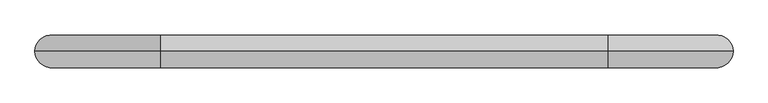
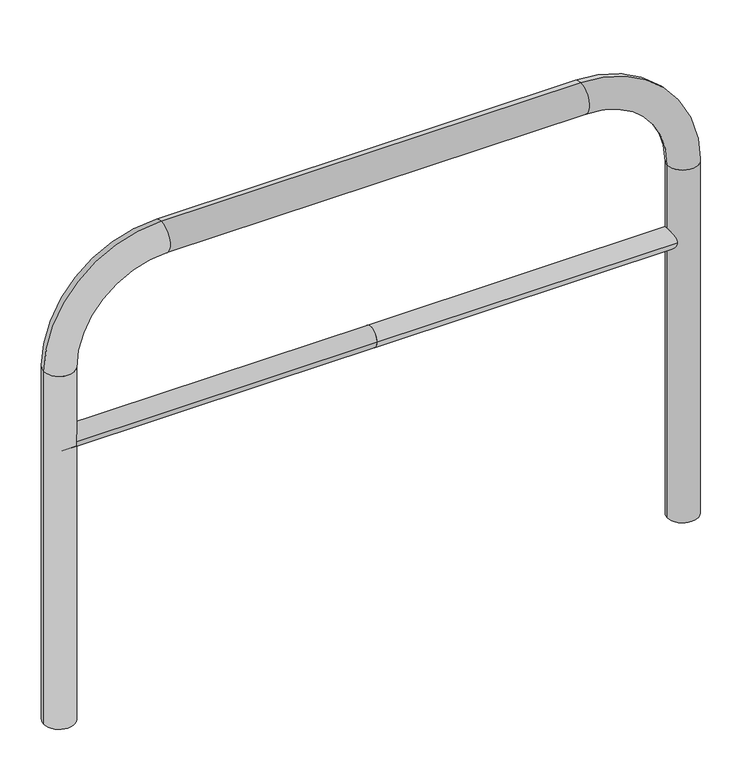
"""IFC4 building model written with IfcOpenShell, lengths in millimetres: proxy geometry."""

from ifc_helpers import new_model, si_unit, point, frame, frame_2d, origin, place, context, project, spatial, circle_curve, ellipse_curve, trimmed, segment, composite_curve, outline, extrude, source, transform, mapped, element, save
from ifc_brep_helpers import plane_surface, cylinder_surface, revolved_surface, advanced_brep


def generic_models_2eb6bcb0(model_context):
    return source(origin(), model_context, "Body", "SolidModel", [
        extrude(outline(composite_curve([segment(trimmed(circle_curve(frame_2d((0.0, 498.4778375)), 20.0), [point((-20.0, 498.4778375))], [point((20.0, 498.4778375))], False, "CARTESIAN"), True, "CONTINUOUS"), segment(trimmed(circle_curve(frame_2d((0.0, 498.4778375)), 20.0), [point((20.0, 498.4778375))], [point((-20.0, 498.4778375))], False, "CARTESIAN"), True, "CONTINUOUS")], self_intersect=False)), frame((-610.2996125, 0.0, 0.0), z_axis=(1.0, 0.0, 0.0), x_axis=(0.0, 1.0, 0.0)), (0.0, 0.0, 1.0), 610.2996125),
        extrude(outline(composite_curve([segment(trimmed(circle_curve(frame_2d((0.0, 498.4778375)), 20.0), [point((-20.0, 498.4778375))], [point((20.0, 498.4778375))], False, "CARTESIAN"), True, "CONTINUOUS"), segment(trimmed(circle_curve(frame_2d((0.0, 498.4778375)), 20.0), [point((20.0, 498.4778375))], [point((-20.0, 498.4778375))], False, "CARTESIAN"), True, "CONTINUOUS")], self_intersect=False)), frame((0.0, 0.0, 0.0), z_axis=(1.0, 0.0, 0.0), x_axis=(0.0, 1.0, 0.0)), (0.0, 0.0, 1.0), 610.2996125),
        advanced_brep(
        [(-580.2996125, 0.0, -80.0), (-640.2996125, 0.0, -80.0), (-580.2996125, 0.0, 650.0), (-640.2996125, 0.0, 650.0), (-410.2996125, 0.0, 880.0), (-410.2996125, 0.0, 820.0), (410.2996125, 0.0, 820.0), (410.2996125, 0.0, 880.0), (640.2996125, 0.0, 650.0), (580.2996125, 0.0, 650.0), (580.2996125, 0.0, -80.0), (640.2996125, 0.0, -80.0)],
        [
            (0, 1, circle_curve(frame((-610.2996125, 0.0, -80.0), z_axis=(0.0, 0.0, -1.0), x_axis=(-1.0, 0.0, 0.0)), 30.0)),
            (1, 0, circle_curve(frame((-610.2996125, 0.0, -80.0), z_axis=(0.0, 0.0, -1.0), x_axis=(-1.0, 0.0, 0.0)), 30.0)),
            (0, 2),
            (2, 3, circle_curve(frame((-610.2996125, 0.0, 650.0), z_axis=(0.0, 0.0, -1.0), x_axis=(-1.0, 0.0, 0.0)), 30.0)),
            (3, 1),
            (3, 2, circle_curve(frame((-610.2996125, 0.0, 650.0), z_axis=(0.0, 0.0, -1.0), x_axis=(-1.0, 0.0, 0.0)), 30.0)),
            (4, 3, circle_curve(frame((-410.2996125, 0.0, 650.0), z_axis=(0.0, -1.0, 0.0), x_axis=(-1.0, 0.0, 0.0)), 230.0)),
            (2, 5, circle_curve(frame((-410.2996125, 0.0, 650.0), z_axis=(0.0, 1.0, 0.0), x_axis=(-1.0, 0.0, 0.0)), 170.0)),
            (5, 4, circle_curve(frame((-410.2996125, 0.0, 850.0), z_axis=(-1.0, 0.0, 0.0), x_axis=(0.0, 0.0, 1.0)), 30.0)),
            (4, 5, circle_curve(frame((-410.2996125, 0.0, 850.0), z_axis=(-1.0, 0.0, 0.0), x_axis=(0.0, 0.0, 1.0)), 30.0)),
            (5, 6),
            (6, 7, circle_curve(frame((410.2996125, 0.0, 850.0), z_axis=(-1.0, 0.0, 0.0), x_axis=(0.0, 0.0, 1.0)), 30.0)),
            (7, 4),
            (7, 6, circle_curve(frame((410.2996125, 0.0, 850.0), z_axis=(-1.0, 0.0, 0.0), x_axis=(0.0, 0.0, 1.0)), 30.0)),
            (8, 7, circle_curve(frame((410.2996125, 0.0, 650.0), z_axis=(0.0, -1.0, 0.0), x_axis=(0.0, 0.0, 1.0)), 230.0)),
            (6, 9, circle_curve(frame((410.2996125, 0.0, 650.0), z_axis=(0.0, 1.0, 0.0), x_axis=(0.0, 0.0, 1.0)), 170.0)),
            (9, 8, circle_curve(frame((610.2996125, 0.0, 650.0), z_axis=(0.0, 0.0, 1.0), x_axis=(1.0, 0.0, 0.0)), 30.0)),
            (8, 9, circle_curve(frame((610.2996125, 0.0, 650.0), z_axis=(0.0, 0.0, 1.0), x_axis=(1.0, 0.0, 0.0)), 30.0)),
            (10, 11, circle_curve(frame((610.2996125, 0.0, -80.0), z_axis=(0.0, 0.0, -1.0), x_axis=(1.0, 0.0, 0.0)), 30.0)),
            (11, 10, circle_curve(frame((610.2996125, 0.0, -80.0), z_axis=(0.0, 0.0, -1.0), x_axis=(1.0, 0.0, 0.0)), 30.0)),
            (9, 10),
            (11, 8),
        ],
        [
            plane_surface(frame((-610.2996125, 0.0, -80.0), z_axis=(0.0, 0.0, -1.0), x_axis=(0.0, -1.0, 0.0))),
            cylinder_surface(frame((-610.2996125, 0.0, -80.0), z_axis=(0.0, 0.0, -1.0), x_axis=(-1.0, 0.0, 0.0)), 30.0),
            revolved_surface(trimmed(ellipse_curve(frame((-610.2996125, 0.0, 650.0), z_axis=(0.0, 0.0, -1.0), x_axis=(-1.0, 0.0, 0.0)), 30.0, 30.0), [point((-580.2996125, 0.0, 650.0))], [point((-640.2996125, 0.0, 650.0))], True, "CARTESIAN"), (-410.2996125, 0.0, 650.0), (0.0, 1.0, 0.0)),
            revolved_surface(trimmed(ellipse_curve(frame((-610.2996125, 0.0, 650.0), z_axis=(0.0, 0.0, -1.0), x_axis=(-1.0, 0.0, 0.0)), 30.0, 30.0), [point((-640.2996125, 0.0, 650.0))], [point((-580.2996125, 0.0, 650.0))], True, "CARTESIAN"), (-410.2996125, 0.0, 650.0), (0.0, 1.0, 0.0)),
            cylinder_surface(frame((-410.2996125, 0.0, 850.0), z_axis=(-1.0, 0.0, 0.0), x_axis=(0.0, 0.0, 1.0)), 30.0),
            revolved_surface(trimmed(ellipse_curve(frame((410.2996125, 0.0, 850.0), z_axis=(-1.0, 0.0, 0.0), x_axis=(0.0, 0.0, 1.0)), 30.0, 30.0), [point((410.2996125, 0.0, 820.0))], [point((410.2996125, 0.0, 880.0))], True, "CARTESIAN"), (410.2996125, 0.0, 650.0), (0.0, 1.0, 0.0)),
            revolved_surface(trimmed(ellipse_curve(frame((410.2996125, 0.0, 850.0), z_axis=(-1.0, 0.0, 0.0), x_axis=(0.0, 0.0, 1.0)), 30.0, 30.0), [point((410.2996125, 0.0, 880.0))], [point((410.2996125, 0.0, 820.0))], True, "CARTESIAN"), (410.2996125, 0.0, 650.0), (0.0, 1.0, 0.0)),
            plane_surface(frame((610.2996125, 0.0, -80.0), z_axis=(0.0, 0.0, -1.0), x_axis=(0.0, -1.0, 0.0))),
            cylinder_surface(frame((610.2996125, 0.0, 650.0), z_axis=(0.0, 0.0, 1.0), x_axis=(1.0, 0.0, 0.0)), 30.0),
        ],
        [
            (0, [[1, 2]]),
            (1, [[-1, 3, 4, 5]]),
            (1, [[-2, -5, 6, -3]]),
            (2, [[7, -4, 8, 9]]),
            (3, [[-8, -6, -7, 10]]),
            (4, [[-9, 11, 12, 13]]),
            (4, [[-10, -13, 14, -11]]),
            (5, [[15, -12, 16, 17]]),
            (6, [[-16, -14, -15, 18]]),
            (7, [[19, 20]]),
            (8, [[-17, 21, -20, 22]]),
            (8, [[-18, -22, -19, -21]]),
        ],
    ),
    ])


if __name__ == "__main__":
    model = new_model("IFC4")
    model_context = context("Model", 3, world=origin())
    ifc_project = project(units=[si_unit("LENGTHUNIT", "METRE", prefix="MILLI")], contexts=[model_context])
    site = spatial("IfcSite", under=ifc_project)
    building = spatial("IfcBuilding", under=site)
    placement = place(None, origin())
    generic_models_shape = generic_models_2eb6bcb0(model_context)
    element("IfcBuildingElementProxy", 1, Name="Generic Models", at=placement, inside=building, context=model_context, shape_type="MappedRepresentation", body=[
        mapped(generic_models_shape, transform((0.0, 0.0, 0.0), x_axis=(1.0, 0.0, 0.0), y_axis=(0.0, 1.0, 0.0), z_axis=(0.0, 0.0, 1.0))),
    ])
    save(model, "model.ifc")
